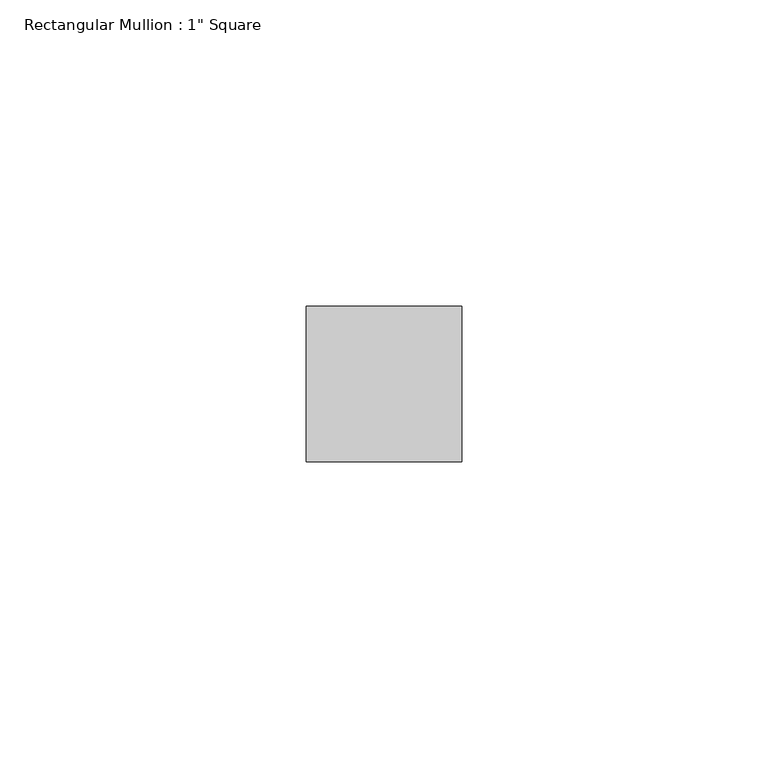
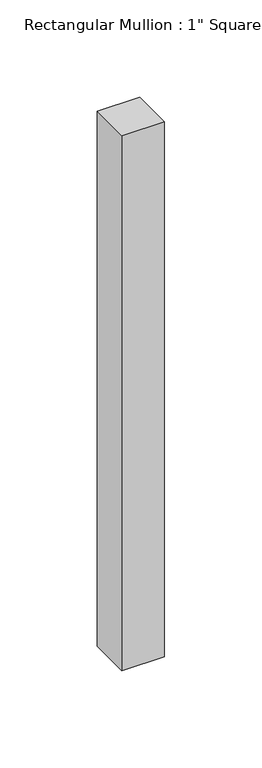
"""IFC4 building model written with IfcOpenShell, lengths in millimetres: member geometry."""

from ifc_helpers import new_model, si_unit, frame, origin, place, context, project, spatial, polyline, outline, extrude, source, transform, mapped, element, save


def member_c0d18b88(model_context):
    return source(origin(), model_context, "Body", "SweptSolid", [
        extrude(outline(polyline([(12.7, 12.7), (12.7, -12.7), (-12.7, -12.7), (-12.7, 12.7), (12.7, 12.7)])), frame((0.0, 0.0, -336.55), z_axis=(0.0, 0.0, 1.0), x_axis=(1.0, 0.0, 0.0)), (0.0, 0.0, 1.0), 336.55),
    ])


if __name__ == "__main__":
    model = new_model("IFC4")
    model_context = context("Model", 3, world=origin())
    ifc_project = project(units=[si_unit("LENGTHUNIT", "METRE", prefix="MILLI")], contexts=[model_context])
    site = spatial("IfcSite", under=ifc_project)
    building = spatial("IfcBuilding", under=site)
    placement = place(None, origin())
    member_shape = member_c0d18b88(model_context)
    element("IfcMember", 1, ObjectType="Rectangular Mullion : 1\" Square", at=placement, inside=building, context=model_context, shape_type="MappedRepresentation", body=[
        mapped(member_shape, transform((0.0, 0.0, 0.0), x_axis=(1.0, 0.0, 0.0), y_axis=(0.0, 1.0, 0.0), z_axis=(0.0, 0.0, 1.0))),
    ])
    save(model, "model.ifc")
